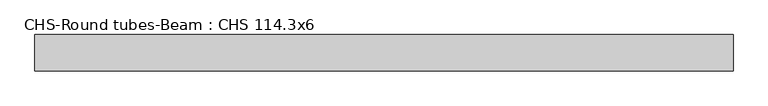
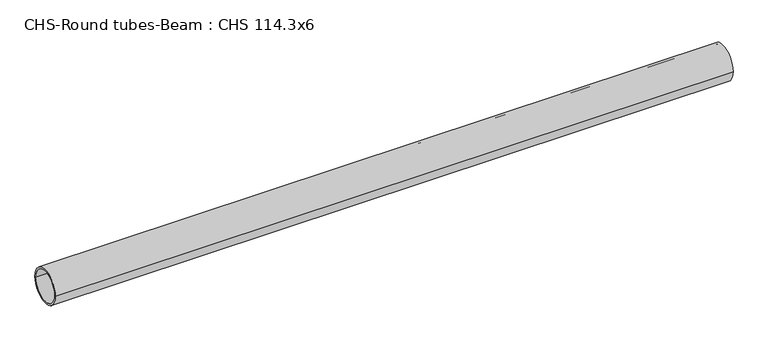
"""IFC4 building model written with IfcOpenShell, lengths in millimetres: beam geometry, CHS-Round tubes-Beam : CHS 114.3x6."""

import ifcopenshell
import ifcopenshell.guid

model = None  # the IFC model being written
_history = None  # IfcOwnerHistory: only IFC2X3 demands one
_inside = {}  # id of a spatial element -> (the spatial element, [elements in it])
_under = {}  # id of a project, library or spatial element -> (it, [spatial elements below it])
_declared = {}  # id of a project -> (the project, [libraries it declares])
_typed = {}  # id of a type object -> (the type object, [elements of that type])
_made_of = {}  # id of a material, layer set ... -> (it, [elements and type objects made of it])


def new_model(schema):
    """Start an empty IFC model of exactly this schema.

    Asked for "IFC4X3", IfcOpenShell would pick the latest addendum, in which some entities
    have other attributes; the version numbers below select the first issue.
    IFC2X3 requires an IfcOwnerHistory on every rooted entity: one is made here for all.
    """
    global model, _history
    if schema == "IFC4X3":
        model = ifcopenshell.file(schema_version=(4, 3, 0, 0))
    else:
        model = ifcopenshell.file(schema=schema)
    _inside.clear()
    _under.clear()
    _declared.clear()
    _typed.clear()
    _made_of.clear()
    _history = None
    if model.schema == "IFC2X3":
        org = make("IfcOrganization", Name="unknown")
        user = make(
            "IfcPersonAndOrganization",
            ThePerson=make("IfcPerson", FamilyName="unknown"),
            TheOrganization=org,
        )
        app = make(
            "IfcApplication",
            ApplicationDeveloper=org,
            Version="unknown",
            ApplicationFullName="unknown",
            ApplicationIdentifier="unknown",
        )
        _history = make(
            "IfcOwnerHistory",
            OwningUser=user,
            OwningApplication=app,
            ChangeAction="ADDED",
            CreationDate=0,
        )
    return model


def make(cls, **values):
    """One entity of the class cls with the attributes given. An attribute that is None is left unset."""
    return model.create_entity(
        cls, **{name: value for name, value in values.items() if value is not None}
    )


def rooted(cls, **values):
    """An entity with a GlobalId (a new one), such as an element, a storey or a relation."""
    return make(cls, GlobalId=ifcopenshell.guid.new(), OwnerHistory=_history, **values)


def si_unit(unit_type, name, prefix=None):
    """IfcSIUnit, for example si_unit("LENGTHUNIT", "METRE", prefix="MILLI")."""
    return make("IfcSIUnit", UnitType=unit_type, Prefix=prefix, Name=name)


def assignment(units):
    """IfcUnitAssignment: the units of a project."""
    return None if units is None else make("IfcUnitAssignment", Units=units)


def point(xyz):
    """IfcCartesianPoint."""
    return None if xyz is None else make("IfcCartesianPoint", Coordinates=xyz)


def direction(xyz):
    """IfcDirection."""
    return None if xyz is None else make("IfcDirection", DirectionRatios=xyz)


def frame(location, z_axis=None, x_axis=None):
    """IfcAxis2Placement3D, a coordinate frame: its origin and axes. An axis left out is left unset."""
    return make(
        "IfcAxis2Placement3D",
        Location=point(location),
        Axis=direction(z_axis),
        RefDirection=direction(x_axis),
    )


def frame_2d(location, x_axis=None):
    """IfcAxis2Placement2D, a coordinate frame in the plane: its origin and x axis."""
    return make(
        "IfcAxis2Placement2D", Location=point(location), RefDirection=direction(x_axis)
    )


def origin():
    """The frame at (0, 0, 0) with its axes left unset."""
    return frame((0.0, 0.0, 0.0))


def origin_2d():
    """The frame at (0, 0) in the plane with its x axis left unset."""
    return frame_2d((0.0, 0.0))


def place(relative_to, where):
    """IfcLocalPlacement: puts the frame where relative to a parent placement (None: the world)."""
    return make(
        "IfcLocalPlacement", PlacementRelTo=relative_to, RelativePlacement=where
    )


def context(
    kind, dimensions, precision=None, world=None, true_north=None, identifier=None
):
    """IfcGeometricRepresentationContext, for example the 3D "Model" context."""
    return make(
        "IfcGeometricRepresentationContext",
        ContextIdentifier=identifier,
        ContextType=kind,
        CoordinateSpaceDimension=dimensions,
        Precision=precision,
        WorldCoordinateSystem=world,
        TrueNorth=true_north,
    )


def project(units=None, contexts=None):
    """IfcProject with its units and contexts."""
    return rooted(
        "IfcProject",
        Name="project",
        RepresentationContexts=contexts,
        UnitsInContext=assignment(units),
    )


def spatial(cls, under=None, at=None, **own):
    """A site, building, storey or space (cls), placed at a placement, below another one or the project."""
    s = rooted(cls, ObjectPlacement=at, **own)
    if under is not None:
        _under.setdefault(under.id(), (under, []))[1].append(s)
    return s


def circle_curve(where, radius):
    """IfcCircle in the frame where."""
    return make("IfcCircle", Position=where, Radius=radius)


def trimmed(basis, trim1, trim2, sense, master):
    """IfcTrimmedCurve: the piece of a basis curve between two trims."""
    return make(
        "IfcTrimmedCurve",
        BasisCurve=basis,
        Trim1=trim1,
        Trim2=trim2,
        SenseAgreement=sense,
        MasterRepresentation=master,
    )


def segment(curve, same_sense, transition):
    """IfcCompositeCurveSegment."""
    return make(
        "IfcCompositeCurveSegment",
        Transition=transition,
        SameSense=same_sense,
        ParentCurve=curve,
    )


def composite_curve(segments, self_intersect=None):
    """IfcCompositeCurve: segments joined end to end."""
    return make("IfcCompositeCurve", Segments=segments, SelfIntersect=self_intersect)


def outline(outer, holes=None, kind="AREA"):
    """IfcArbitraryClosedProfileDef: a profile drawn as a closed curve; with holes, ...WithVoids."""
    if holes is None:
        return make("IfcArbitraryClosedProfileDef", ProfileType=kind, OuterCurve=outer)
    return make(
        "IfcArbitraryProfileDefWithVoids",
        ProfileType=kind,
        OuterCurve=outer,
        InnerCurves=holes,
    )


def extrude(swept, where, along, depth):
    """IfcExtrudedAreaSolid: the profile swept, set in the frame where, extruded along a direction by depth."""
    return make(
        "IfcExtrudedAreaSolid",
        SweptArea=swept,
        Position=where,
        ExtrudedDirection=direction(along),
        Depth=depth,
    )


def shape(context_of_items, identifier, shape_type, items):
    """IfcShapeRepresentation: the items that make up one representation, for example the "Body"."""
    return make(
        "IfcShapeRepresentation",
        ContextOfItems=context_of_items,
        RepresentationIdentifier=identifier,
        RepresentationType=shape_type,
        Items=items,
    )


def source(mapping_origin, context_of_items, identifier, shape_type, items):
    """IfcRepresentationMap: a shape defined once, which mapped items show again and again."""
    return make(
        "IfcRepresentationMap",
        MappingOrigin=mapping_origin,
        MappedRepresentation=shape(context_of_items, identifier, shape_type, items),
    )


def transform(
    local_origin,
    x_axis=None,
    y_axis=None,
    z_axis=None,
    scale=None,
    scale2=None,
    scale3=None,
    uniform=True,
):
    """IfcCartesianTransformationOperator3D, or its non-uniform kind. x_axis, y_axis, z_axis: its Axis1, 2, 3."""
    if uniform:
        return make(
            "IfcCartesianTransformationOperator3D",
            Axis1=direction(x_axis),
            Axis2=direction(y_axis),
            LocalOrigin=point(local_origin),
            Scale=scale,
            Axis3=direction(z_axis),
        )
    return make(
        "IfcCartesianTransformationOperator3DnonUniform",
        Axis1=direction(x_axis),
        Axis2=direction(y_axis),
        LocalOrigin=point(local_origin),
        Scale=scale,
        Axis3=direction(z_axis),
        Scale2=scale2,
        Scale3=scale3,
    )


def mapped(mapping_source, mapping_target):
    """IfcMappedItem: shows the shape of a source again, moved by a transform."""
    return make(
        "IfcMappedItem", MappingSource=mapping_source, MappingTarget=mapping_target
    )


def made_of(thing, what):
    """Note that an element or type object is made of a material, layer set ...; save() writes the relation."""
    if what is not None:
        _made_of.setdefault(what.id(), (what, []))[1].append(thing)
    return thing


def element(
    cls,
    number,
    at=None,
    inside=None,
    cuts=None,
    type_object=None,
    material=None,
    context=None,
    identifier="Body",
    shape_type=None,
    held_by="IfcProductDefinitionShape",
    body=None,
    shapes=None,
    **own,
):
    """One element of the class cls, such as IfcWall. Its Tag is "e" and its number.

    at: its placement. inside: the storey or other place that contains it. cuts: it is an
    opening in that element (IfcRelVoidsElement). A single representation is given by context,
    identifier, shape_type and body (its items); several are given by shapes. held_by: the class
    of the entity that holds the representations. save() writes the other relations.
    """
    e = rooted(cls, Tag="e%d" % number, ObjectPlacement=at, **own)
    if body is not None:
        shapes = [shape(context, identifier, shape_type, body)]
    if shapes is not None:
        e.Representation = make(held_by, Representations=shapes)
    if inside is not None:
        _inside.setdefault(inside.id(), (inside, []))[1].append(e)
    if cuts is not None:
        rooted(
            "IfcRelVoidsElement", RelatingBuildingElement=cuts, RelatedOpeningElement=e
        )
    if type_object is not None:
        _typed.setdefault(type_object.id(), (type_object, []))[1].append(e)
    return made_of(e, material)


def aggregate(whole, parts):
    """IfcRelAggregates: a whole, such as a stair, and the parts it consists of."""
    return rooted("IfcRelAggregates", RelatingObject=whole, RelatedObjects=parts)


def save(model, path):
    """Write the relations noted so far, then the file.

    IfcRelAggregates (storeys below a building ...), IfcRelContainedInSpatialStructure (elements
    in a storey), IfcRelDefinesByType, IfcRelAssociatesMaterial and IfcRelDeclares: one each for
    every whole, place, type object, material and project.
    """
    for whole, parts in _under.values():
        aggregate(whole, parts)
    for where, things in _inside.values():
        rooted(
            "IfcRelContainedInSpatialStructure",
            RelatedElements=things,
            RelatingStructure=where,
        )
    for kind, things in _typed.values():
        rooted("IfcRelDefinesByType", RelatedObjects=things, RelatingType=kind)
    for what, things in _made_of.values():
        rooted("IfcRelAssociatesMaterial", RelatedObjects=things, RelatingMaterial=what)
    for by, libraries in _declared.values():
        rooted("IfcRelDeclares", RelatingContext=by, RelatedDefinitions=libraries)
    model.write(path)


def chs_round_tubes_beam_chs_114_3x6_2c7a8c3e(model_context):
    return source(origin(), model_context, "Body", "SweptSolid", [
        extrude(outline(composite_curve([segment(trimmed(circle_curve(origin_2d(), 57.15), [point((57.15, 0.0))], [point((-57.15, 0.0))], False, "CARTESIAN"), True, "CONTINUOUS"), segment(trimmed(circle_curve(origin_2d(), 57.15), [point((-57.15, 0.0))], [point((57.15, 0.0))], False, "CARTESIAN"), True, "CONTINUOUS")], self_intersect=False), holes=[composite_curve([segment(trimmed(circle_curve(origin_2d(), 51.15), [point((51.15, 0.0))], [point((-51.15, 0.0))], True, "CARTESIAN"), True, "CONTINUOUS"), segment(trimmed(circle_curve(origin_2d(), 51.15), [point((-51.15, 0.0))], [point((51.15, 0.0))], True, "CARTESIAN"), True, "CONTINUOUS")], self_intersect=False)]), frame((-1072.2239834, 0.0, 0.0), z_axis=(1.0, 0.0, 0.0), x_axis=(0.0, 1.0, 0.0)), (0.0, 0.0, 1.0), 2195.7467967),
    ])


if __name__ == "__main__":
    model = new_model("IFC4")
    model_context = context("Model", 3, world=origin())
    ifc_project = project(units=[si_unit("LENGTHUNIT", "METRE", prefix="MILLI")], contexts=[model_context])
    site = spatial("IfcSite", under=ifc_project)
    building = spatial("IfcBuilding", under=site)
    placement = place(None, origin())
    chs_round_tubes_beam_chs_114_3x6_shape = chs_round_tubes_beam_chs_114_3x6_2c7a8c3e(model_context)
    element("IfcBeam", 1, ObjectType="CHS-Round tubes-Beam : CHS 114.3x6", at=placement, inside=building, context=model_context, shape_type="MappedRepresentation", body=[
        mapped(chs_round_tubes_beam_chs_114_3x6_shape, transform((0.0, 0.0, 0.0), x_axis=(1.0, 0.0, 0.0), y_axis=(0.0, 1.0, 0.0), z_axis=(0.0, 0.0, 1.0))),
    ])
    save(model, "model.ifc")
